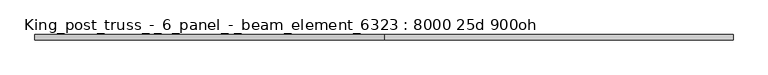
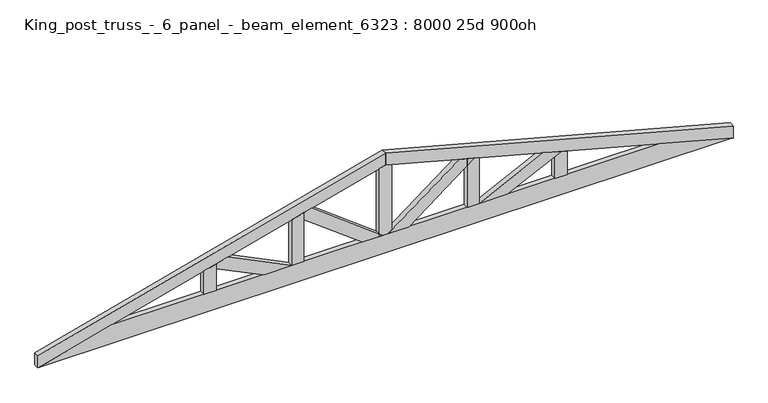
"""IFC4 building model written with IfcOpenShell, lengths in millimetres: beam geometry, King_post_truss_-_6_panel_-_beam_element_6323 : 8000 25d 900oh."""

from ifc_helpers import new_model, si_unit, frame, origin, place, context, project, spatial, polyline, outline, extrude, source, transform, mapped, element, save


def king_post_truss_6_panel_beam_element_6323_8000_25d_900oh_06924d2b(model_context):
    return source(origin(), model_context, "Body", "SweptSolid", [
        extrude(outline(polyline([(364.6798126, 1160.8435138), (139.7, 697.1141436), (139.7, 900.7817621), (329.523823, 1292.0474532), (364.6798126, 1160.8435138)])), frame((0.0, -20.0469019, 0.0), z_axis=(0.0, 1.0, 0.0), x_axis=(0.0, 0.0, 1.0)), (0.0, 0.0, 1.0), 38.1),
        extrude(outline(polyline([(527.055863, 554.8478437), (139.7, 40.5010039), (139.7, 188.2773175), (497.8504311, 663.8439992), (527.055863, 554.8478437)])), frame((0.0, -20.0469019, 0.0), z_axis=(0.0, 1.0, 0.0), x_axis=(0.0, 0.0, 1.0)), (0.0, 0.0, 1.0), 38.1),
        extrude(outline(polyline([(342.4366406, 1243.8561618), (139.7, 1243.8561618), (139.7, 1332.7561618), (318.6159574, 1332.7561618), (342.4366406, 1243.8561618)])), frame((0.0, -20.0469019, 0.0), z_axis=(0.0, 1.0, 0.0), x_axis=(0.0, 0.0, 1.0)), (0.0, 0.0, 1.0), 38.1),
        extrude(outline(polyline([(512.1377958, 610.5228284), (139.7, 610.5228284), (139.7, 699.4228284), (488.3171126, 699.4228284), (512.1377958, 610.5228284)])), frame((0.0, -20.0469019, 0.0), z_axis=(0.0, 1.0, 0.0), x_axis=(0.0, 0.0, 1.0)), (0.0, 0.0, 1.0), 38.1),
        extrude(outline(polyline([(658.0182678, -22.8105049), (139.7, -22.8105049), (139.7, 66.0894951), (658.0182678, 66.0894951), (669.9286094, 21.6394951), (658.0182678, -22.8105049)])), frame((0.0, -20.0469019, 0.0), z_axis=(0.0, 1.0, 0.0), x_axis=(0.0, 0.0, 1.0)), (0.0, 0.0, 1.0), 38.1),
        extrude(outline(polyline([(488.3171126, -656.1438382), (139.7, -656.1438382), (139.7, -567.2438382), (512.1377958, -567.2438382), (488.3171126, -656.1438382)])), frame((0.0, -20.0469019, 0.0), z_axis=(0.0, 1.0, 0.0), x_axis=(0.0, 0.0, 1.0)), (0.0, 0.0, 1.0), 38.1),
        extrude(outline(polyline([(497.8504311, -620.565009), (139.7, -144.9983273), (139.7, 2.7779863), (527.055863, -511.5688535), (497.8504311, -620.565009)])), frame((0.0, -20.0469019, 0.0), z_axis=(0.0, 1.0, 0.0), x_axis=(0.0, 0.0, 1.0)), (0.0, 0.0, 1.0), 38.1),
        extrude(outline(polyline([(318.6159574, -1289.4771716), (139.7, -1289.4771716), (139.7, -1200.5771716), (342.4366406, -1200.5771716), (318.6159574, -1289.4771716)])), frame((0.0, -20.0469019, 0.0), z_axis=(0.0, 1.0, 0.0), x_axis=(0.0, 0.0, 1.0)), (0.0, 0.0, 1.0), 38.1),
        extrude(outline(polyline([(329.523823, -1248.768463), (139.7, -857.5027718), (139.7, -653.8351534), (364.6798126, -1117.5645235), (329.523823, -1248.768463)])), frame((0.0, -20.0469019, 0.0), z_axis=(0.0, 1.0, 0.0), x_axis=(0.0, 0.0, 1.0)), (0.0, 0.0, 1.0), 38.1),
        extrude(outline(polyline([(0.0, -2478.5681125), (0.0, 2521.8471028), (139.7, 2000.479605), (139.7, -1957.2006147), (0.0, -2478.5681125)])), frame((0.0, -20.0469019, 0.0), z_axis=(0.0, 1.0, 0.0), x_axis=(0.0, 0.0, 1.0)), (0.0, 0.0, 1.0), 38.1),
        extrude(outline(polyline([(763.1034656, 21.6394951), (669.9286094, 21.6394951), (-2.5166839, 2531.2394951), (90.6581723, 2531.2394951), (763.1034656, 21.6394951)])), frame((0.0, -20.0469019, 0.0), z_axis=(0.0, 1.0, 0.0), x_axis=(0.0, 0.0, 1.0)), (0.0, 0.0, 1.0), 38.1),
        extrude(outline(polyline([(763.1034656, 21.6394951), (90.6581723, -2487.9605049), (-2.5166839, -2487.9605049), (669.9286094, 21.6394951), (763.1034656, 21.6394951)])), frame((0.0, -20.0469019, 0.0), z_axis=(0.0, 1.0, 0.0), x_axis=(0.0, 0.0, 1.0)), (0.0, 0.0, 1.0), 38.1),
    ])


if __name__ == "__main__":
    model = new_model("IFC4")
    model_context = context("Model", 3, world=origin())
    ifc_project = project(units=[si_unit("LENGTHUNIT", "METRE", prefix="MILLI")], contexts=[model_context])
    site = spatial("IfcSite", under=ifc_project)
    building = spatial("IfcBuilding", under=site)
    placement = place(None, origin())
    king_post_truss_6_panel_beam_element_6323_8000_25d_900oh_shape = king_post_truss_6_panel_beam_element_6323_8000_25d_900oh_06924d2b(model_context)
    element("IfcBeam", 1, ObjectType="King_post_truss_-_6_panel_-_beam_element_6323 : 8000 25d 900oh", at=placement, inside=building, context=model_context, shape_type="MappedRepresentation", body=[
        mapped(king_post_truss_6_panel_beam_element_6323_8000_25d_900oh_shape, transform((0.0, 0.0, 0.0), x_axis=(1.0, 0.0, 0.0), y_axis=(0.0, 1.0, 0.0), z_axis=(0.0, 0.0, 1.0))),
    ])
    save(model, "model.ifc")
